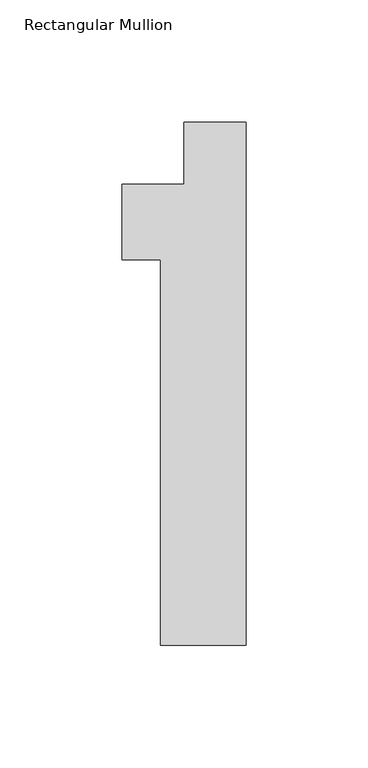
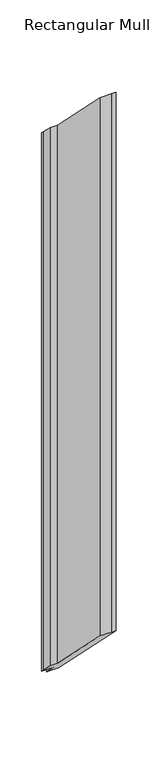
"""IFC4 building model written with IfcOpenShell, lengths in millimetres: member geometry, Rectangular Mullion."""

from ifc_helpers import new_model, si_unit, origin, place, context, project, spatial, faceted_brep, source, transform, mapped, element, save


def rectangular_mullion_4ef3aaf6(model_context):
    return source(origin(), model_context, "Body", "Brep", [
        faceted_brep([(-12.7, 0.0, 0.0), (-9.525, 0.0, 0.0), (-9.525, 0.0, -1219.2), (-12.7, 0.0, -1219.2), (-25.4000001, 0.0, 0.0), (-25.4000001, 0.0, -1219.2), (-25.4000001, -25.4, 25.4), (-25.4000001, -25.4, -1193.8), (-50.8, -25.4, 25.4), (-50.8, -25.4, -1193.8), (-50.8, -31.75, 31.75), (-50.8, -31.75, -1187.45), (-50.8, -56.388, 56.388), (-50.8, -56.388, -1162.812), (-34.925, -56.388, 56.388), (-34.925, -56.388, -1162.812), (-34.925, -214.376, 214.376), (-34.925, -214.376, -1004.824), (-9.525, -214.376, 214.376), (-9.525, -214.376, -1004.824), (0.0, -214.376, 214.376), (0.0, -214.376, -1004.824), (0.0, 0.0, 0.0), (0.0, 0.0, -1219.2)], [[[0, 1, 2, 3]], [[4, 0, 3, 5]], [[6, 4, 5, 7]], [[8, 6, 7, 9]], [[10, 8, 9, 11]], [[12, 10, 11, 13]], [[14, 12, 13, 15]], [[16, 14, 15, 17]], [[18, 16, 17, 19]], [[20, 18, 19, 21]], [[22, 20, 21, 23]], [[1, 22, 23, 2]], [[1, 0, 4, 6, 8, 10, 12, 14, 16, 18, 20, 22]], [[2, 23, 21, 19, 17, 15, 13, 11, 9, 7, 5, 3]]]),
    ])


if __name__ == "__main__":
    model = new_model("IFC4")
    model_context = context("Model", 3, world=origin())
    ifc_project = project(units=[si_unit("LENGTHUNIT", "METRE", prefix="MILLI")], contexts=[model_context])
    site = spatial("IfcSite", under=ifc_project)
    building = spatial("IfcBuilding", under=site)
    placement = place(None, origin())
    rectangular_mullion_shape = rectangular_mullion_4ef3aaf6(model_context)
    element("IfcMember", 1, ObjectType="Rectangular Mullion", at=placement, inside=building, context=model_context, shape_type="MappedRepresentation", body=[
        mapped(rectangular_mullion_shape, transform((0.0, 0.0, 0.0), x_axis=(1.0, 0.0, 0.0), y_axis=(0.0, 1.0, 0.0), z_axis=(0.0, 0.0, 1.0))),
    ])
    save(model, "model.ifc")
